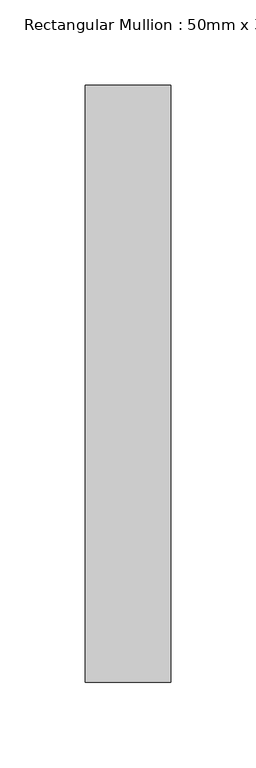
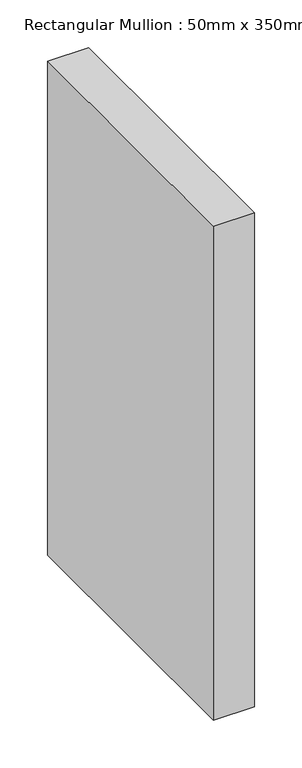
"""IFC4 building model written with IfcOpenShell, lengths in millimetres: member geometry, Rectangular Mullion : 50mm x 350mm."""

from ifc_helpers import new_model, si_unit, frame, origin, place, context, project, spatial, polyline, outline, extrude, source, transform, mapped, element, save


def rectangular_mullion_50mm_x_350mm_5e3d9ba5(model_context):
    return source(origin(), model_context, "Body", "SweptSolid", [
        extrude(outline(polyline([(0.0, 175.0), (0.0, -175.0), (-50.0, -175.0), (-50.0, 175.0), (0.0, 175.0)])), frame((0.0, 0.0, -635.0), z_axis=(0.0, 0.0, 1.0), x_axis=(1.0, 0.0, 0.0)), (0.0, 0.0, 1.0), 635.0),
    ])


if __name__ == "__main__":
    model = new_model("IFC4")
    model_context = context("Model", 3, world=origin())
    ifc_project = project(units=[si_unit("LENGTHUNIT", "METRE", prefix="MILLI")], contexts=[model_context])
    site = spatial("IfcSite", under=ifc_project)
    building = spatial("IfcBuilding", under=site)
    placement = place(None, origin())
    rectangular_mullion_50mm_x_350mm_shape = rectangular_mullion_50mm_x_350mm_5e3d9ba5(model_context)
    element("IfcMember", 1, ObjectType="Rectangular Mullion : 50mm x 350mm", at=placement, inside=building, context=model_context, shape_type="MappedRepresentation", body=[
        mapped(rectangular_mullion_50mm_x_350mm_shape, transform((0.0, 0.0, 0.0), x_axis=(1.0, 0.0, 0.0), y_axis=(0.0, 1.0, 0.0), z_axis=(0.0, 0.0, 1.0))),
    ])
    save(model, "model.ifc")
